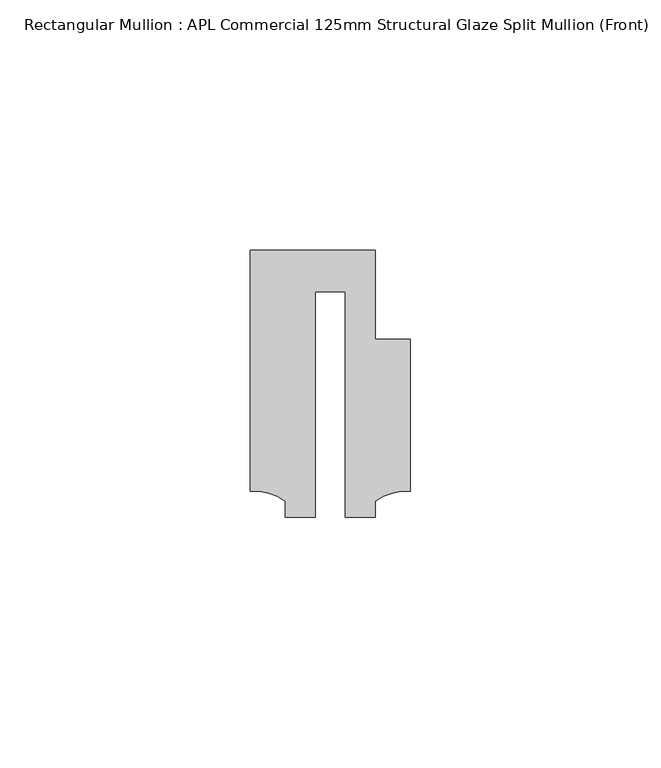
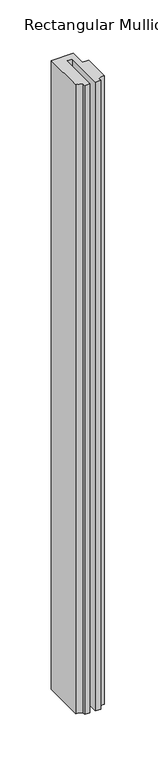
"""IFC4 building model written with IfcOpenShell, lengths in millimetres: member geometry, Rectangular Mullion : APL Commercial 125mm Structural Glaze Split Mullion (Front)."""

from ifc_helpers import new_model, si_unit, point, frame, frame_2d, origin, place, context, project, spatial, polyline, circle_curve, trimmed, segment, composite_curve, outline, extrude, source, transform, mapped, element, save


def rectangular_mullion_apl_commercial_125mm_structural_glaze_c581886f(model_context):
    return source(origin(), model_context, "Body", "SweptSolid", [
        extrude(outline(composite_curve([segment(polyline([(15.9999391, 14.9953356), (15.9999391, -15.3837352)]), True, "CONTINUOUS"), segment(trimmed(circle_curve(frame_2d((15.1098019, -25.802169)), 10.4563907), [point((15.9999391, -15.3837352))], [point((8.9999842, -17.3165203))], True, "CARTESIAN"), True, "CONTINUOUS"), segment(polyline([(8.9999842, -17.3165203), (8.9999842, -20.5039877), (2.9999676, -20.5039877), (2.9999676, 24.5130805), (-2.9999659, 24.5130805), (-2.9999659, -20.5039877), (-8.9999842, -20.5039877), (-8.9999842, -17.3165203)]), True, "CONTINUOUS"), segment(trimmed(circle_curve(frame_2d((-15.1098019, -25.802169)), 10.4563907), [point((-8.9999842, -17.3165203))], [point((-15.9999391, -15.3837352))], True, "CARTESIAN"), True, "CONTINUOUS"), segment(polyline([(-15.9999391, -15.3837352), (-15.9999391, 32.7960123), (9.0, 32.7960123), (9.0, 14.9953356), (15.9999391, 14.9953356)]), True, "CONTINUOUS")], self_intersect=False)), frame((0.0, 0.0, -751.2021929), z_axis=(0.0, 0.0, 1.0), x_axis=(1.0, 0.0, 0.0)), (0.0, 0.0, 1.0), 751.2021929),
    ])


if __name__ == "__main__":
    model = new_model("IFC4")
    model_context = context("Model", 3, world=origin())
    ifc_project = project(units=[si_unit("LENGTHUNIT", "METRE", prefix="MILLI")], contexts=[model_context])
    site = spatial("IfcSite", under=ifc_project)
    building = spatial("IfcBuilding", under=site)
    placement = place(None, origin())
    rectangular_mullion_apl_commercial_125mm_structural_glaze_shape = rectangular_mullion_apl_commercial_125mm_structural_glaze_c581886f(model_context)
    element("IfcMember", 1, ObjectType="Rectangular Mullion : APL Commercial 125mm Structural Glaze Split Mullion (Front)", at=placement, inside=building, context=model_context, shape_type="MappedRepresentation", body=[
        mapped(rectangular_mullion_apl_commercial_125mm_structural_glaze_shape, transform((0.0, 0.0, 0.0), x_axis=(1.0, 0.0, 0.0), y_axis=(0.0, 1.0, 0.0), z_axis=(0.0, 0.0, 1.0))),
    ])
    save(model, "model.ifc")
